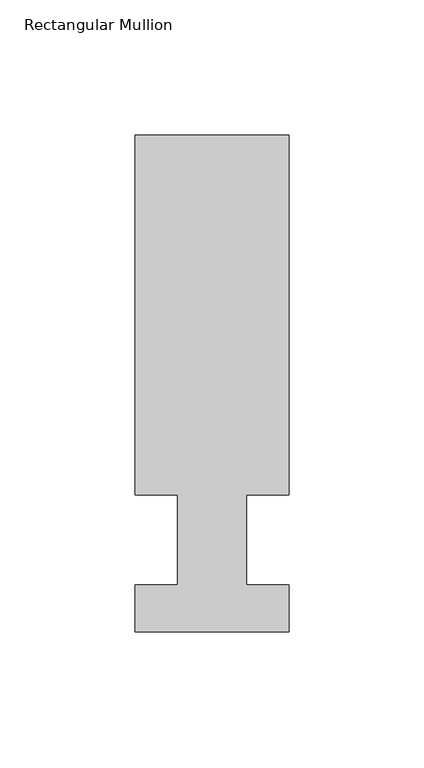
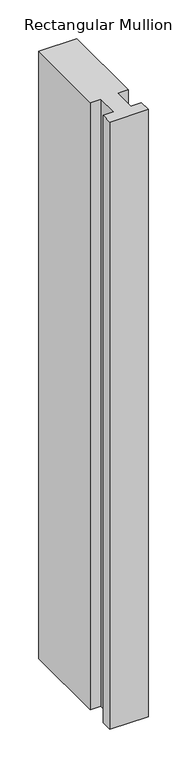
"""IFC4 building model written with IfcOpenShell, lengths in millimetres: member geometry, Rectangular Mullion."""

from ifc_helpers import new_model, si_unit, frame, origin, place, context, project, spatial, polyline, outline, extrude, source, transform, mapped, element, save


def rectangular_mullion_3ebad4ac(model_context):
    return source(origin(), model_context, "Body", "SweptSolid", [
        extrude(outline(polyline([(32.9094027, 150.01875), (32.9094027, 16.66875), (17.0326322, 16.66875), (17.0326322, -16.66875), (32.9094027, -16.66875), (32.9094027, -34.13125), (-24.2405973, -34.13125), (-24.2405973, -16.66875), (-8.3655973, -16.66875), (-8.3655973, 16.66875), (-24.2405973, 16.66875), (-24.2405973, 150.01875), (32.9094027, 150.01875)])), frame((0.0, 0.0, -958.85), z_axis=(0.0, 0.0, 1.0), x_axis=(1.0, 0.0, 0.0)), (0.0, 0.0, 1.0), 958.85),
    ])


if __name__ == "__main__":
    model = new_model("IFC4")
    model_context = context("Model", 3, world=origin())
    ifc_project = project(units=[si_unit("LENGTHUNIT", "METRE", prefix="MILLI")], contexts=[model_context])
    site = spatial("IfcSite", under=ifc_project)
    building = spatial("IfcBuilding", under=site)
    placement = place(None, origin())
    rectangular_mullion_shape = rectangular_mullion_3ebad4ac(model_context)
    element("IfcMember", 1, ObjectType="Rectangular Mullion", at=placement, inside=building, context=model_context, shape_type="MappedRepresentation", body=[
        mapped(rectangular_mullion_shape, transform((0.0, 0.0, 0.0), x_axis=(1.0, 0.0, 0.0), y_axis=(0.0, 1.0, 0.0), z_axis=(0.0, 0.0, 1.0))),
    ])
    save(model, "model.ifc")
